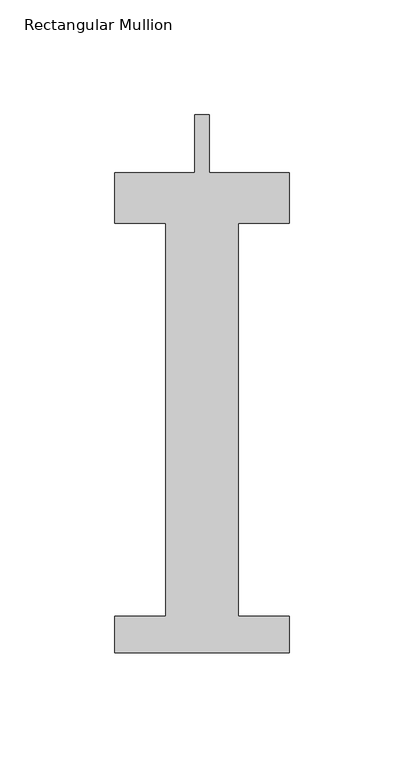
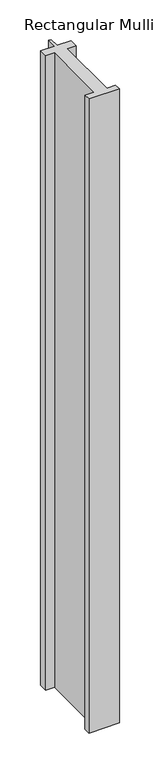
"""IFC4 building model written with IfcOpenShell, lengths in millimetres: member geometry, Rectangular Mullion."""

from ifc_helpers import new_model, si_unit, frame, origin, place, context, project, spatial, polyline, outline, extrude, source, transform, mapped, element, save


def rectangular_mullion_96bfb855(model_context):
    return source(origin(), model_context, "Body", "SweptSolid", [
        extrude(outline(polyline([(38.1, -221.996), (-38.1, -221.996), (-38.1, -206.121), (-15.875, -206.121), (-15.875, -34.671), (-38.1, -34.671), (-38.1, -12.7), (-3.175, -12.7), (-3.175, 12.7), (3.175, 12.7), (3.175, -12.7), (38.1, -12.7), (38.1, -34.671), (15.875, -34.671), (15.875, -206.121), (38.1, -206.121), (38.1, -221.996)])), frame((0.0, 0.0, -1676.4), z_axis=(0.0, 0.0, 1.0), x_axis=(1.0, 0.0, 0.0)), (0.0, 0.0, 1.0), 1676.4),
    ])


if __name__ == "__main__":
    model = new_model("IFC4")
    model_context = context("Model", 3, world=origin())
    ifc_project = project(units=[si_unit("LENGTHUNIT", "METRE", prefix="MILLI")], contexts=[model_context])
    site = spatial("IfcSite", under=ifc_project)
    building = spatial("IfcBuilding", under=site)
    placement = place(None, origin())
    rectangular_mullion_shape = rectangular_mullion_96bfb855(model_context)
    element("IfcMember", 1, ObjectType="Rectangular Mullion", at=placement, inside=building, context=model_context, shape_type="MappedRepresentation", body=[
        mapped(rectangular_mullion_shape, transform((0.0, 0.0, 0.0), x_axis=(1.0, 0.0, 0.0), y_axis=(0.0, 1.0, 0.0), z_axis=(0.0, 0.0, 1.0))),
    ])
    save(model, "model.ifc")
